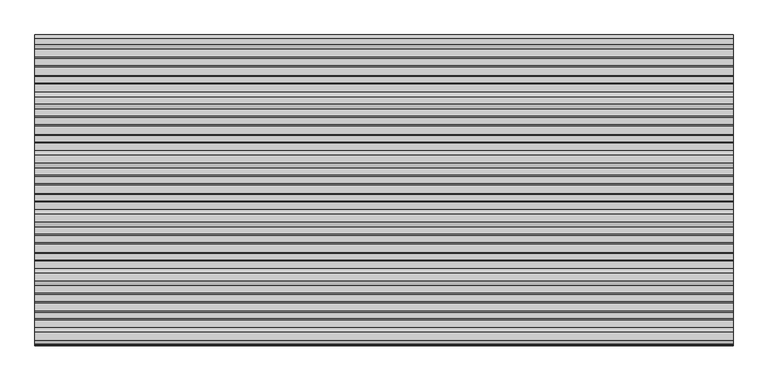
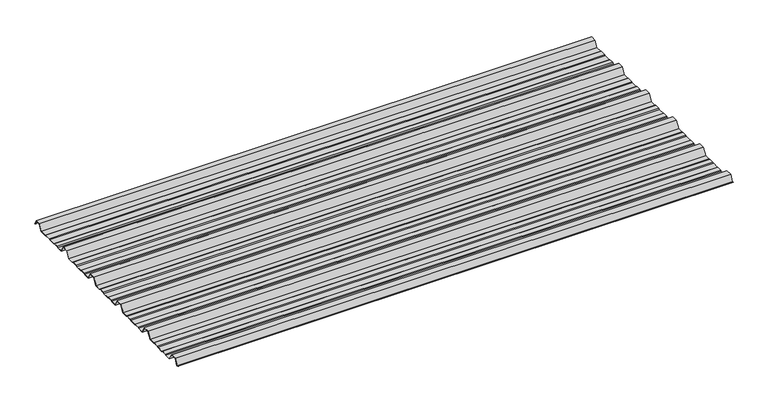
"""IFC4 building model written with IfcOpenShell, lengths in millimetres: beam geometry."""

from ifc_helpers import new_model, si_unit, point, frame, frame_2d, origin, place, context, project, spatial, polyline, circle_curve, trimmed, segment, composite_curve, outline, extrude, source, transform, mapped, element, save


def beam_6d9e6659(model_context):
    return source(origin(), model_context, "Body", "SweptSolid", [
        extrude(outline(composite_curve([segment(polyline([(-41.155409, -25.7896475), (-45.2820109, -23.7896475), (-62.8888461, -23.7896475), (-66.1530101, -25.7896475), (-88.4400183, -25.7896475), (-91.4814768, -23.7896475), (-107.1472807, -23.7896475), (-110.1909225, -25.7896475), (-130.513361, -25.7896475), (-142.4987169, -4.7896475), (-161.4999361, -4.7896475), (-173.513361, -25.7896475), (-193.155409, -25.7896475), (-197.2820109, -23.7896475), (-214.8888461, -23.7896475), (-218.1530101, -25.7896475), (-240.4400183, -25.7896475), (-243.4814768, -23.7896475), (-259.1472807, -23.7896475), (-262.1909225, -25.7896475), (-282.513361, -25.7896475), (-294.4987169, -4.7896475), (-313.4999361, -4.7896475), (-325.513361, -25.7896475), (-345.155409, -25.7896475), (-349.2820109, -23.7896475), (-366.8888461, -23.7896475), (-370.1530101, -25.7896475), (-392.4400183, -25.7896475), (-395.4814768, -23.7896475), (-411.1472807, -23.7896475), (-414.1909225, -25.7896475), (-434.513361, -25.7896475), (-446.4987169, -4.7896475), (-465.4999361, -4.7896475), (-477.513361, -25.7896475), (-497.155409, -25.7896475), (-501.2820109, -23.7896475), (-518.8888461, -23.7896475), (-522.1530101, -25.7896475), (-544.4400183, -25.7896475), (-547.4814768, -23.7896475), (-563.1472807, -23.7896475), (-566.1909225, -25.7896475), (-586.513361, -25.7896475), (-598.4987169, -4.7896475), (-617.4999361, -4.7896475), (-629.513361, -25.7896475), (-649.155409, -25.7896475), (-653.2820109, -23.7896475), (-670.8888461, -23.7896475), (-674.1530101, -25.7896475), (-696.4400183, -25.7896475), (-699.4814768, -23.7896475), (-715.1472807, -23.7896475), (-718.1909225, -25.7896475), (-738.513361, -25.7896475), (-750.4987169, -4.7896475), (-769.4999361, -4.7896475), (-780.3692253, -23.7896475), (-783.804755, -23.7896475)]), True, "CONTINUOUS"), segment(trimmed(circle_curve(frame_2d((-783.804755, -23.2896475)), 0.5), [point((-783.804755, -23.7896475))], [point((-783.804755, -22.7896475))], False, "CARTESIAN"), True, "CONTINUOUS"), segment(polyline([(-783.804755, -22.7896475), (-780.8686157, -22.7896475), (-769.9993265, -3.7896475), (-749.9993265, -3.7896475), (-738.0139706, -24.7896475), (-718.4900736, -24.7896475), (-715.4464317, -22.7896475), (-699.1821463, -22.7896475), (-696.1406878, -24.7896475), (-674.4350053, -24.7896475), (-671.1708413, -22.7896475), (-653.0524511, -22.7896475), (-648.9258491, -24.7896475), (-630.0127514, -24.7896475), (-617.9993265, -3.7896475), (-597.9993265, -3.7896475), (-586.0139706, -24.7896475), (-566.4900736, -24.7896475), (-563.4464317, -22.7896475), (-547.1821463, -22.7896475), (-544.1406878, -24.7896475), (-522.4350053, -24.7896475), (-519.1708413, -22.7896475), (-501.0524511, -22.7896475), (-496.9258491, -24.7896475), (-478.0127514, -24.7896475), (-465.9993265, -3.7896475), (-445.9993265, -3.7896475), (-434.0139706, -24.7896475), (-414.4900736, -24.7896475), (-411.4464317, -22.7896475), (-395.1821463, -22.7896475), (-392.1406878, -24.7896475), (-370.4350053, -24.7896475), (-367.1708413, -22.7896475), (-349.0524511, -22.7896475), (-344.9258491, -24.7896475), (-326.0127514, -24.7896475), (-313.9993265, -3.7896475), (-293.9993265, -3.7896475), (-282.0139706, -24.7896475), (-262.4900736, -24.7896475), (-259.4464317, -22.7896475), (-243.1821463, -22.7896475), (-240.1406878, -24.7896475), (-218.4350053, -24.7896475), (-215.1708413, -22.7896475), (-197.0524511, -22.7896475), (-192.9258491, -24.7896475), (-174.0127514, -24.7896475), (-161.9993265, -3.7896475), (-141.9993265, -3.7896475), (-130.0139706, -24.7896475), (-110.4900736, -24.7896475), (-107.4464317, -22.7896475), (-91.1821463, -22.7896475), (-88.1406878, -24.7896475), (-66.4350053, -24.7896475), (-63.1708413, -22.7896475), (-45.0524511, -22.7896475), (-40.9258491, -24.7896475), (-19.7086146, -24.7896475), (-8.8393254, -5.7896475), (8.8393254, -5.7896475), (16.8315702, -19.793165)]), True, "CONTINUOUS"), segment(trimmed(circle_curve(frame_2d((16.4279743, -20.0235098)), 0.4647024), [point((16.8315702, -19.793165))], [point((16.0243785, -20.2538545))], False, "CARTESIAN"), True, "CONTINUOUS"), segment(polyline([(16.0243785, -20.2538545), (8.339935, -6.7896475), (-8.339935, -6.7896475), (-19.2092242, -25.7896475), (-41.155409, -25.7896475)]), True, "CONTINUOUS")], self_intersect=False)), frame((-900.0, 0.0, 0.0), z_axis=(1.0, 0.0, 0.0), x_axis=(0.0, 1.0, 0.0)), (0.0, 0.0, 1.0), 1800.0),
    ])


if __name__ == "__main__":
    model = new_model("IFC4")
    model_context = context("Model", 3, world=origin())
    ifc_project = project(units=[si_unit("LENGTHUNIT", "METRE", prefix="MILLI")], contexts=[model_context])
    site = spatial("IfcSite", under=ifc_project)
    building = spatial("IfcBuilding", under=site)
    placement = place(None, origin())
    beam_shape = beam_6d9e6659(model_context)
    element("IfcBeam", 1, at=placement, inside=building, context=model_context, shape_type="MappedRepresentation", body=[
        mapped(beam_shape, transform((0.0, 0.0, 0.0), x_axis=(1.0, 0.0, 0.0), y_axis=(0.0, 1.0, 0.0), z_axis=(0.0, 0.0, 1.0))),
    ])
    save(model, "model.ifc")
